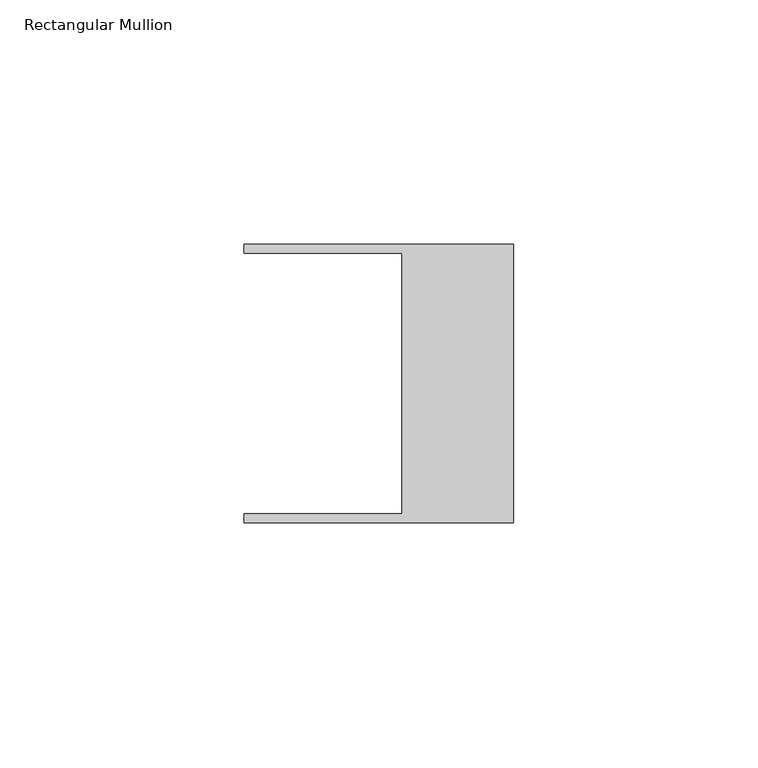
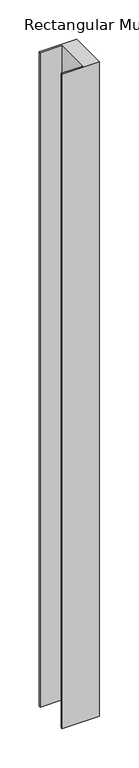
"""IFC4 building model written with IfcOpenShell, lengths in millimetres: member geometry, Rectangular Mullion."""

from ifc_helpers import new_model, si_unit, frame, origin, place, context, project, spatial, polyline, outline, extrude, source, transform, mapped, element, save


def rectangular_mullion_4d094a83(model_context):
    return source(origin(), model_context, "Body", "SweptSolid", [
        extrude(outline(polyline([(-55.118, 26.67), (-55.118, 28.448), (0.0, 28.448), (0.0, -28.448), (-55.118, -28.448), (-55.118, -26.67), (-22.86, -26.67), (-22.86, 26.67), (-55.118, 26.67)])), frame((0.0, 0.0, -1014.2175034), z_axis=(0.0, 0.0, 1.0), x_axis=(1.0, 0.0, 0.0)), (0.0, 0.0, 1.0), 1014.2175034),
    ])


if __name__ == "__main__":
    model = new_model("IFC4")
    model_context = context("Model", 3, world=origin())
    ifc_project = project(units=[si_unit("LENGTHUNIT", "METRE", prefix="MILLI")], contexts=[model_context])
    site = spatial("IfcSite", under=ifc_project)
    building = spatial("IfcBuilding", under=site)
    placement = place(None, origin())
    rectangular_mullion_shape = rectangular_mullion_4d094a83(model_context)
    element("IfcMember", 1, ObjectType="Rectangular Mullion", at=placement, inside=building, context=model_context, shape_type="MappedRepresentation", body=[
        mapped(rectangular_mullion_shape, transform((0.0, 0.0, 0.0), x_axis=(1.0, 0.0, 0.0), y_axis=(0.0, 1.0, 0.0), z_axis=(0.0, 0.0, 1.0))),
    ])
    save(model, "model.ifc")
